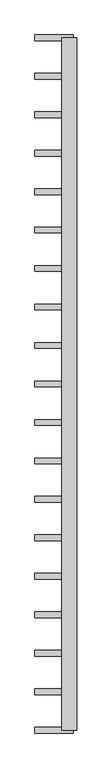
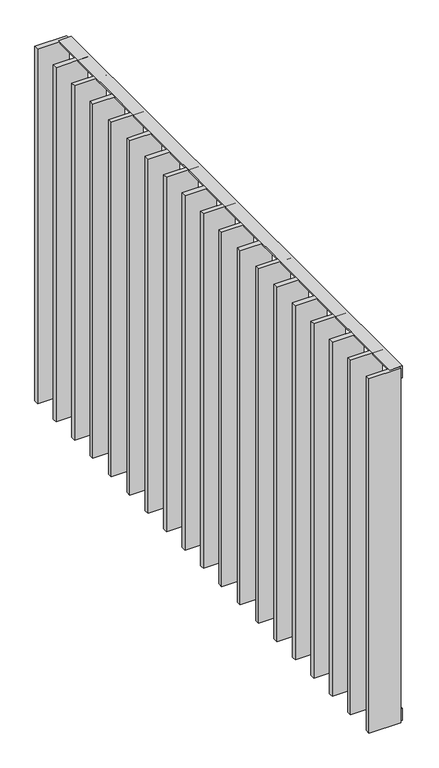
"""IFC4 building model written with IfcOpenShell, lengths in millimetres: railing geometry."""

from ifc_helpers import new_model, si_unit, frame, origin, place, context, project, spatial, polyline, outline, extrude, source, transform, mapped, element, save


def railing_af0bfe70(model_context):
    return source(origin(), model_context, "Body", "SweptSolid", [
        extrude(outline(polyline([(-6.0, 14.0), (-40.0, 14.0), (-40.0, 20.0), (0.0, 20.0), (0.0, -20.0), (-6.0, -20.0), (-6.0, 14.0)])), frame((42559.5112064, 4584.7883888, 8000.0), z_axis=(2.5671728463011867e-12, 1.0, 0.0), x_axis=(0.0, 0.0, 1.0)), (0.0, 0.0, 1.0), 1810.0),
        extrude(outline(polyline([(6.0, 14.0), (6.0, -20.0), (0.0, -20.0), (0.0, 20.0), (40.0, 20.0), (40.0, 14.0), (6.0, 14.0)])), frame((42559.5112064, 4584.7883888, 6820.0), z_axis=(2.5671728463011867e-12, 1.0, 0.0), x_axis=(0.0, 0.0, 1.0)), (0.0, 0.0, 1.0), 1810.0),
        extrude(outline(polyline([(42569.5112064, 6286.7328332), (42469.5112064, 6286.7328332), (42469.5112064, 6301.7328332), (42569.5112064, 6301.7328332), (42569.5112064, 6286.7328332)])), frame((0.0, 0.0, 6819.9), z_axis=(0.0, 0.0, 1.0), x_axis=(1.0, 0.0, 0.0)), (0.0, 0.0, 1.0), 1180.2),
        extrude(outline(polyline([(42569.5112064, 6186.1772777), (42469.5112064, 6186.1772777), (42469.5112064, 6201.1772777), (42569.5112064, 6201.1772777), (42569.5112064, 6186.1772777)])), frame((0.0, 0.0, 6819.9), z_axis=(0.0, 0.0, 1.0), x_axis=(1.0, 0.0, 0.0)), (0.0, 0.0, 1.0), 1180.2),
        extrude(outline(polyline([(42569.5112064, 6085.6217221), (42469.5112064, 6085.6217221), (42469.5112064, 6100.6217221), (42569.5112064, 6100.6217221), (42569.5112064, 6085.6217221)])), frame((0.0, 0.0, 6819.9), z_axis=(0.0, 0.0, 1.0), x_axis=(1.0, 0.0, 0.0)), (0.0, 0.0, 1.0), 1180.2),
        extrude(outline(polyline([(42569.5112064, 5985.0661666), (42469.5112064, 5985.0661666), (42469.5112064, 6000.0661666), (42569.5112064, 6000.0661666), (42569.5112064, 5985.0661666)])), frame((0.0, 0.0, 6819.9), z_axis=(0.0, 0.0, 1.0), x_axis=(1.0, 0.0, 0.0)), (0.0, 0.0, 1.0), 1180.2),
        extrude(outline(polyline([(42569.5112064, 5884.510611), (42469.5112064, 5884.510611), (42469.5112064, 5899.510611), (42569.5112064, 5899.510611), (42569.5112064, 5884.510611)])), frame((0.0, 0.0, 6819.9), z_axis=(0.0, 0.0, 1.0), x_axis=(1.0, 0.0, 0.0)), (0.0, 0.0, 1.0), 1180.2),
        extrude(outline(polyline([(42569.5112064, 5783.9550555), (42469.5112064, 5783.9550555), (42469.5112064, 5798.9550555), (42569.5112064, 5798.9550555), (42569.5112064, 5783.9550555)])), frame((0.0, 0.0, 6819.9), z_axis=(0.0, 0.0, 1.0), x_axis=(1.0, 0.0, 0.0)), (0.0, 0.0, 1.0), 1180.2),
        extrude(outline(polyline([(42569.5112064, 5683.3994999), (42469.5112064, 5683.3994999), (42469.5112064, 5698.3994999), (42569.5112064, 5698.3994999), (42569.5112064, 5683.3994999)])), frame((0.0, 0.0, 6819.9), z_axis=(0.0, 0.0, 1.0), x_axis=(1.0, 0.0, 0.0)), (0.0, 0.0, 1.0), 1180.2),
        extrude(outline(polyline([(42569.5112064, 5582.8439443), (42469.5112064, 5582.8439443), (42469.5112064, 5597.8439443), (42569.5112064, 5597.8439443), (42569.5112064, 5582.8439443)])), frame((0.0, 0.0, 6819.9), z_axis=(0.0, 0.0, 1.0), x_axis=(1.0, 0.0, 0.0)), (0.0, 0.0, 1.0), 1180.2),
        extrude(outline(polyline([(42569.5112064, 5482.2883888), (42469.5112064, 5482.2883888), (42469.5112064, 5497.2883888), (42569.5112064, 5497.2883888), (42569.5112064, 5482.2883888)])), frame((0.0, 0.0, 6819.9), z_axis=(0.0, 0.0, 1.0), x_axis=(1.0, 0.0, 0.0)), (0.0, 0.0, 1.0), 1180.2),
        extrude(outline(polyline([(42569.5112064, 5381.7328332), (42469.5112064, 5381.7328332), (42469.5112064, 5396.7328332), (42569.5112064, 5396.7328332), (42569.5112064, 5381.7328332)])), frame((0.0, 0.0, 6819.9), z_axis=(0.0, 0.0, 1.0), x_axis=(1.0, 0.0, 0.0)), (0.0, 0.0, 1.0), 1180.2),
        extrude(outline(polyline([(42569.5112064, 5281.1772777), (42469.5112064, 5281.1772777), (42469.5112064, 5296.1772777), (42569.5112064, 5296.1772777), (42569.5112064, 5281.1772777)])), frame((0.0, 0.0, 6819.9), z_axis=(0.0, 0.0, 1.0), x_axis=(1.0, 0.0, 0.0)), (0.0, 0.0, 1.0), 1180.2),
        extrude(outline(polyline([(42569.5112064, 5180.6217221), (42469.5112064, 5180.6217221), (42469.5112064, 5195.6217221), (42569.5112064, 5195.6217221), (42569.5112064, 5180.6217221)])), frame((0.0, 0.0, 6819.9), z_axis=(0.0, 0.0, 1.0), x_axis=(1.0, 0.0, 0.0)), (0.0, 0.0, 1.0), 1180.2),
        extrude(outline(polyline([(42569.5112064, 5080.0661666), (42469.5112064, 5080.0661666), (42469.5112064, 5095.0661666), (42569.5112064, 5095.0661666), (42569.5112064, 5080.0661666)])), frame((0.0, 0.0, 6819.9), z_axis=(0.0, 0.0, 1.0), x_axis=(1.0, 0.0, 0.0)), (0.0, 0.0, 1.0), 1180.2),
        extrude(outline(polyline([(42569.5112064, 4979.510611), (42469.5112064, 4979.510611), (42469.5112064, 4994.510611), (42569.5112064, 4994.510611), (42569.5112064, 4979.510611)])), frame((0.0, 0.0, 6819.9), z_axis=(0.0, 0.0, 1.0), x_axis=(1.0, 0.0, 0.0)), (0.0, 0.0, 1.0), 1180.2),
        extrude(outline(polyline([(42569.5112064, 4878.9550555), (42469.5112064, 4878.9550555), (42469.5112064, 4893.9550555), (42569.5112064, 4893.9550555), (42569.5112064, 4878.9550555)])), frame((0.0, 0.0, 6819.9), z_axis=(0.0, 0.0, 1.0), x_axis=(1.0, 0.0, 0.0)), (0.0, 0.0, 1.0), 1180.2),
        extrude(outline(polyline([(42569.5112064, 4778.3994999), (42469.5112064, 4778.3994999), (42469.5112064, 4793.3994999), (42569.5112064, 4793.3994999), (42569.5112064, 4778.3994999)])), frame((0.0, 0.0, 6819.9), z_axis=(0.0, 0.0, 1.0), x_axis=(1.0, 0.0, 0.0)), (0.0, 0.0, 1.0), 1180.2),
        extrude(outline(polyline([(42569.5112064, 4677.8439443), (42469.5112064, 4677.8439443), (42469.5112064, 4692.8439443), (42569.5112064, 4692.8439443), (42569.5112064, 4677.8439443)])), frame((0.0, 0.0, 6819.9), z_axis=(0.0, 0.0, 1.0), x_axis=(1.0, 0.0, 0.0)), (0.0, 0.0, 1.0), 1180.2),
        extrude(outline(polyline([(42569.5112064, 6387.2883888), (42469.5112064, 6387.2883888), (42469.5112064, 6402.2883888), (42569.5112064, 6402.2883888), (42569.5112064, 6387.2883888)])), frame((0.0, 0.0, 6819.9), z_axis=(0.0, 0.0, 1.0), x_axis=(1.0, 0.0, 0.0)), (0.0, 0.0, 1.0), 1180.2),
        extrude(outline(polyline([(42569.5112064, 4577.2883888), (42469.5112064, 4577.2883888), (42469.5112064, 4592.2883888), (42569.5112064, 4592.2883888), (42569.5112064, 4577.2883888)])), frame((0.0, 0.0, 6819.9), z_axis=(0.0, 0.0, 1.0), x_axis=(1.0, 0.0, 0.0)), (0.0, 0.0, 1.0), 1180.2),
    ])


if __name__ == "__main__":
    model = new_model("IFC4")
    model_context = context("Model", 3, world=origin())
    ifc_project = project(units=[si_unit("LENGTHUNIT", "METRE", prefix="MILLI")], contexts=[model_context])
    site = spatial("IfcSite", under=ifc_project)
    building = spatial("IfcBuilding", under=site)
    placement = place(None, origin())
    railing_shape = railing_af0bfe70(model_context)
    element("IfcRailing", 1, at=placement, inside=building, context=model_context, shape_type="MappedRepresentation", body=[
        mapped(railing_shape, transform((0.0, 0.0, 0.0), x_axis=(1.0, 0.0, 0.0), y_axis=(0.0, 1.0, 0.0), z_axis=(0.0, 0.0, 1.0))),
    ])
    save(model, "model.ifc")
